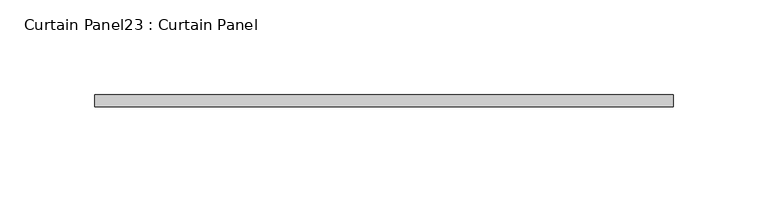
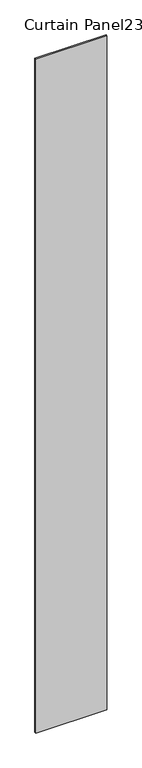
"""IFC4 building model written with IfcOpenShell, lengths in millimetres: plate geometry, Curtain Panel23 : Curtain Panel."""

from ifc_helpers import new_model, si_unit, origin, origin_with_axes, place, context, project, spatial, polyline, outline, extrude, source, transform, mapped, element, save


def curtain_panel23_curtain_panel_d9ff5b3f(model_context):
    return source(origin(), model_context, "Body", "SweptSolid", [
        extrude(outline(polyline([(7302.0500121, 2306.9292916), (7606.8500121, 2306.9292916), (7606.8500121, 2300.5792916), (7302.0500121, 2300.5792916), (7302.0500121, 2306.9292916)])), origin_with_axes(), (0.0, 0.0, 1.0), 3048.0),
    ])


if __name__ == "__main__":
    model = new_model("IFC4")
    model_context = context("Model", 3, world=origin())
    ifc_project = project(units=[si_unit("LENGTHUNIT", "METRE", prefix="MILLI")], contexts=[model_context])
    site = spatial("IfcSite", under=ifc_project)
    building = spatial("IfcBuilding", under=site)
    placement = place(None, origin())
    curtain_panel23_curtain_panel_shape = curtain_panel23_curtain_panel_d9ff5b3f(model_context)
    element("IfcPlate", 1, ObjectType="Curtain Panel23 : Curtain Panel", at=placement, inside=building, context=model_context, shape_type="MappedRepresentation", body=[
        mapped(curtain_panel23_curtain_panel_shape, transform((0.0, 0.0, 0.0), x_axis=(1.0, 0.0, 0.0), y_axis=(0.0, 1.0, 0.0), z_axis=(0.0, 0.0, 1.0))),
    ])
    save(model, "model.ifc")
